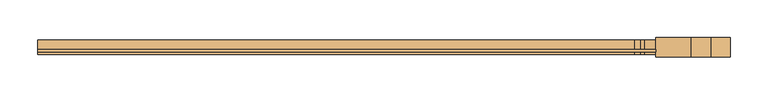
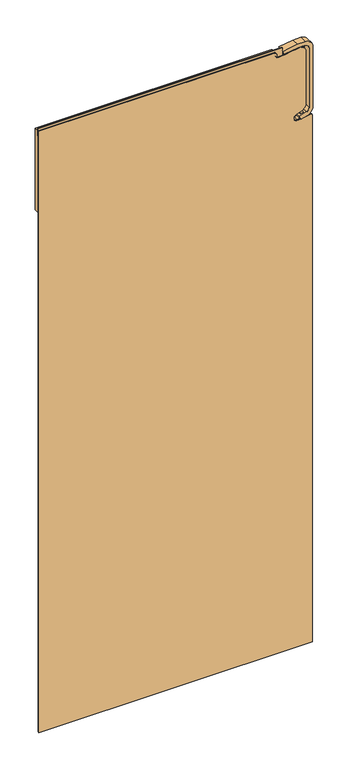
"""IFC4 building model written with IfcOpenShell, lengths in millimetres: door geometry."""

from ifc_helpers import new_model, si_unit, point, frame, frame_2d, origin, place, context, project, spatial, polyline, circle_curve, trimmed, segment, composite_curve, outline, extrude, source, transform, mapped, element, save


def door_716002fa(model_context):
    return source(origin(), model_context, "Body", "SweptSolid", [
        extrude(outline(polyline([(-444.5, -6.7028808), (371.475, -6.7028808), (371.475, -9.8778808), (-444.5, -9.8778808), (-444.5, -6.7028808)])), frame((0.0, 0.0, 2108.2), z_axis=(0.0, 0.0, 1.0), x_axis=(1.0, 0.0, 0.0)), (0.0, 0.0, 1.0), 25.4),
        extrude(outline(composite_curve([segment(polyline([(2116.9013808, 391.5137731), (2112.2478593, 392.2403001), (2106.6441024, 356.3473417)]), True, "CONTINUOUS"), segment(trimmed(circle_curve(frame_2d((2111.3496, 355.6127)), 4.7625), [point((2106.6441024, 356.3473417))], [point((2111.6971719, 350.8629))], True, "CARTESIAN"), True, "CONTINUOUS"), segment(polyline([(2111.6971719, 350.8629), (2119.2998, 350.8629)]), True, "CONTINUOUS"), segment(trimmed(circle_curve(frame_2d((2119.2998, 342.9127)), 7.9502), [point((2119.2998, 350.8629))], [point((2127.25, 342.9127))], False, "CARTESIAN"), True, "CONTINUOUS"), segment(polyline([(2127.25, 342.9127), (2127.25, -444.5), (1838.7974302, -444.5), (1838.7974302, 469.9), (1864.1974302, 469.9)]), True, "CONTINUOUS"), segment(trimmed(circle_curve(frame_2d((1864.1974302, 463.55)), 6.35), [point((1864.1974302, 469.9))], [point((1870.4624389, 462.5145451))], False, "CARTESIAN"), True, "CONTINUOUS"), segment(polyline([(1870.4624389, 462.5145451), (1863.5372297, 420.6136408)]), True, "CONTINUOUS"), segment(trimmed(circle_curve(frame_2d((1874.7237592, 419.294473)), 11.2640422), [point((1863.5372297, 420.6136408))], [point((1885.0925814, 414.8937714))], True, "CARTESIAN"), True, "CONTINUOUS"), segment(polyline([(1885.0925814, 414.8937714), (1890.3861514, 427.792887), (1879.7610642, 432.1532359), (1882.6590193, 441.3204608), (1894.0412238, 436.6494044)]), True, "CONTINUOUS"), segment(trimmed(circle_curve(frame_2d((1911.3246, 428.6377)), 19.05), [point((1894.0412238, 436.6494044))], [point((1911.3246, 447.6877))], False, "CARTESIAN"), True, "CONTINUOUS"), segment(polyline([(1911.3246, 447.6877), (2098.6496, 447.6877)]), True, "CONTINUOUS"), segment(trimmed(circle_curve(frame_2d((2098.6496, 428.6377)), 19.05), [point((2098.6496, 447.6877))], [point((2117.4715905, 425.6991331))], False, "CARTESIAN"), True, "CONTINUOUS"), segment(polyline([(2117.4715905, 425.6991331), (2113.7174111, 401.6530143), (2118.3250674, 400.933648), (2116.9013808, 391.5137731)]), True, "CONTINUOUS")], self_intersect=False)), frame((0.0, -9.8778808, 0.0), z_axis=(0.0, 1.0, 0.0), x_axis=(0.0, 0.0, 1.0)), (0.0, 0.0, 1.0), 15.875),
        extrude(outline(composite_curve([segment(trimmed(circle_curve(frame_2d((2108.35408, 444.5)), 12.7), [point((2121.05408, 444.5))], [point((2108.35408, 457.2))], True, "CARTESIAN"), True, "CONTINUOUS"), segment(polyline([(2108.35408, 457.2), (1896.9836042, 457.2)]), True, "CONTINUOUS"), segment(trimmed(circle_curve(frame_2d((1896.9836042, 444.5)), 12.7), [point((1896.9836042, 457.2))], [point((1884.8742587, 448.3280221))], True, "CARTESIAN"), True, "CONTINUOUS"), segment(polyline([(1884.8742587, 448.3280221), (1877.5458248, 425.1456746), (1865.4364794, 428.9736967), (1872.7649133, 452.1560442)]), True, "CONTINUOUS"), segment(trimmed(circle_curve(frame_2d((1896.9836042, 444.5)), 25.4), [point((1872.7649133, 452.1560442))], [point((1896.9836042, 469.9))], False, "CARTESIAN"), True, "CONTINUOUS"), segment(polyline([(1896.9836042, 469.9), (2108.35408, 469.9)]), True, "CONTINUOUS"), segment(trimmed(circle_curve(frame_2d((2108.35408, 444.5)), 25.4), [point((2108.35408, 469.9))], [point((2133.75408, 444.5))], False, "CARTESIAN"), True, "CONTINUOUS"), segment(polyline([(2133.75408, 444.5), (2133.75408, 418.0359615), (2126.7297586, 371.5592821), (2114.1723682, 373.4571618), (2121.05408, 418.9902593), (2121.05408, 444.5)]), True, "CONTINUOUS")], self_intersect=False)), frame((0.0, -16.2278808, 0.0), z_axis=(0.0, 1.0, 0.0), x_axis=(0.0, 0.0, 1.0)), (0.0, 0.0, 1.0), 25.4),
        extrude(outline(composite_curve([segment(polyline([(6.35, 469.9), (1864.1974302, 469.9)]), True, "CONTINUOUS"), segment(trimmed(circle_curve(frame_2d((1864.1974302, 463.55)), 6.35), [point((1864.1974302, 469.9))], [point((1870.4624389, 462.5145451))], False, "CARTESIAN"), True, "CONTINUOUS"), segment(polyline([(1870.4624389, 462.5145451), (1863.5372297, 420.6136408)]), True, "CONTINUOUS"), segment(trimmed(circle_curve(frame_2d((1874.7237592, 419.294473)), 11.2640422), [point((1863.5372297, 420.6136408))], [point((1885.0925814, 414.8937714))], True, "CARTESIAN"), True, "CONTINUOUS"), segment(polyline([(1885.0925814, 414.8937714), (1893.7009176, 435.8701491)]), True, "CONTINUOUS"), segment(trimmed(circle_curve(frame_2d((1911.3246, 428.6377)), 19.05), [point((1893.7009176, 435.8701491))], [point((1911.3246, 447.6877))], False, "CARTESIAN"), True, "CONTINUOUS"), segment(polyline([(1911.3246, 447.6877), (2098.6496, 447.6877)]), True, "CONTINUOUS"), segment(trimmed(circle_curve(frame_2d((2098.6496, 428.6377)), 19.05), [point((2098.6496, 447.6877))], [point((2117.4715905, 425.6991331))], False, "CARTESIAN"), True, "CONTINUOUS"), segment(polyline([(2117.4715905, 425.6991331), (2106.6441024, 356.3473417)]), True, "CONTINUOUS"), segment(trimmed(circle_curve(frame_2d((2111.3496, 355.6127)), 4.7625), [point((2106.6441024, 356.3473417))], [point((2111.6971719, 350.8629))], True, "CARTESIAN"), True, "CONTINUOUS"), segment(polyline([(2111.6971719, 350.8629), (2119.2998, 350.8629)]), True, "CONTINUOUS"), segment(trimmed(circle_curve(frame_2d((2119.2998, 342.9127)), 7.9502), [point((2119.2998, 350.8629))], [point((2127.25, 342.9127))], False, "CARTESIAN"), True, "CONTINUOUS"), segment(polyline([(2127.25, 342.9127), (2127.25, -444.5), (6.35, -444.5), (6.35, 469.9)]), True, "CONTINUOUS")], self_intersect=False)), frame((0.0, -13.0528808, 0.0), z_axis=(0.0, 1.0, 0.0), x_axis=(0.0, 0.0, 1.0)), (0.0, 0.0, 1.0), 3.175),
    ])


if __name__ == "__main__":
    model = new_model("IFC4")
    model_context = context("Model", 3, world=origin())
    ifc_project = project(units=[si_unit("LENGTHUNIT", "METRE", prefix="MILLI")], contexts=[model_context])
    site = spatial("IfcSite", under=ifc_project)
    building = spatial("IfcBuilding", under=site)
    placement = place(None, origin())
    door_shape = door_716002fa(model_context)
    element("IfcDoor", 1, at=placement, inside=building, context=model_context, shape_type="MappedRepresentation", body=[
        mapped(door_shape, transform((0.0, 0.0, 0.0), x_axis=(1.0, 0.0, 0.0), y_axis=(0.0, 1.0, 0.0), z_axis=(0.0, 0.0, 1.0))),
    ])
    save(model, "model.ifc")
